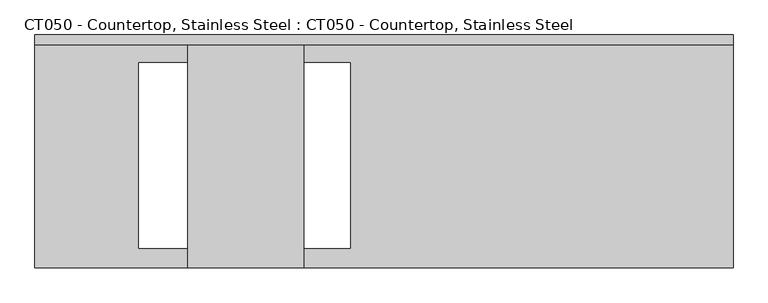
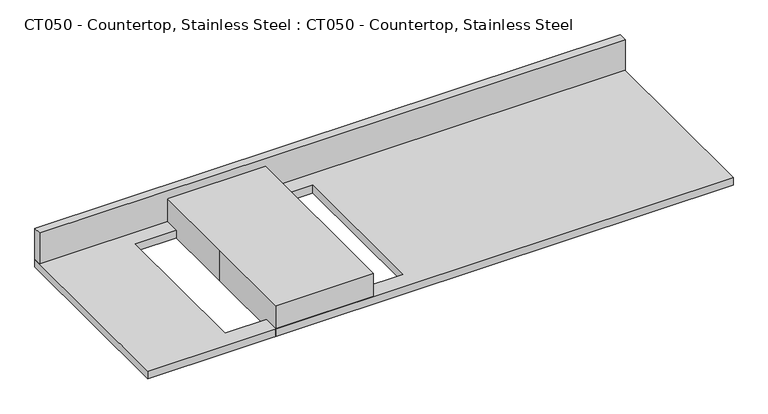
"""IFC4 building model written with IfcOpenShell, lengths in millimetres: proxy geometry, CT050 - Countertop, Stainless Steel : CT050 - Countertop, Stainless Steel."""

from ifc_helpers import new_model, si_unit, frame, origin, origin_with_axes, place, context, project, spatial, polyline, outline, extrude, source, transform, mapped, element, save


def ct050_countertop_stainless_steel_ct050_countertop_stainless_58b83515(model_context):
    return source(origin(), model_context, "Body", "SweptSolid", [
        extrude(outline(polyline([(1276.5804938, 304.8), (1276.5804938, -304.8), (-552.45, -304.8), (-552.45, 304.8), (1276.5804938, 304.8)]), holes=[polyline([(273.05, 231.775), (-280.66273, 231.775), (-280.66273, -254.6876661), (273.05, -254.6876661), (273.05, 231.775)])]), origin_with_axes(), (0.0, 0.0, 1.0), 25.4),
        extrude(outline(polyline([(-552.45, 279.4), (-552.45, 304.8), (1276.5804938, 304.8), (1276.5804938, 279.4), (-552.45, 279.4)])), frame((0.0, 0.0, 25.4), z_axis=(0.0, 0.0, 1.0), x_axis=(1.0, 0.0, 0.0)), (0.0, 0.0, 1.0), 101.6),
        extrude(outline(polyline([(-152.4, 304.8), (152.4, 304.8), (152.4, -304.8), (-152.4, -304.8), (-152.4, 0.0), (-152.4, 304.8)])), origin_with_axes(), (0.0, 0.0, 1.0), 101.6),
    ])


if __name__ == "__main__":
    model = new_model("IFC4")
    model_context = context("Model", 3, world=origin())
    ifc_project = project(units=[si_unit("LENGTHUNIT", "METRE", prefix="MILLI")], contexts=[model_context])
    site = spatial("IfcSite", under=ifc_project)
    building = spatial("IfcBuilding", under=site)
    placement = place(None, origin())
    ct050_countertop_stainless_steel_ct050_countertop_stainless_shape = ct050_countertop_stainless_steel_ct050_countertop_stainless_58b83515(model_context)
    element("IfcBuildingElementProxy", 1, Name="CT050 - Countertop, Stainless Steel : CT050 - Countertop, Stainless Steel", ObjectType="CT050 - Countertop, Stainless Steel : CT050 - Countertop, Stainless Steel", at=placement, inside=building, context=model_context, shape_type="MappedRepresentation", body=[
        mapped(ct050_countertop_stainless_steel_ct050_countertop_stainless_shape, transform((0.0, 0.0, 0.0), x_axis=(1.0, 0.0, 0.0), y_axis=(0.0, 1.0, 0.0), z_axis=(0.0, 0.0, 1.0))),
    ])
    save(model, "model.ifc")
